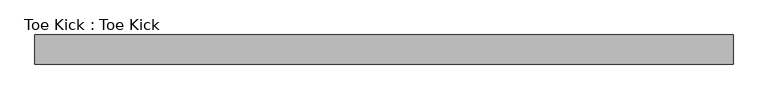
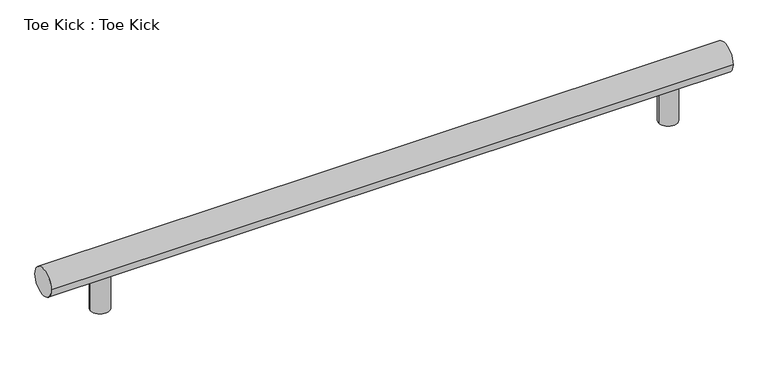
"""IFC4 building model written with IfcOpenShell, lengths in millimetres: proxy geometry, Toe Kick : Toe Kick."""

from ifc_helpers import new_model, si_unit, point, frame, frame_2d, origin, origin_with_axes, place, context, project, spatial, circle_curve, trimmed, segment, composite_curve, outline, extrude, source, transform, mapped, element, save


def toe_kick_toe_kick_487ae540(model_context):
    return source(origin(), model_context, "Body", "SweptSolid", [
        extrude(outline(composite_curve([segment(trimmed(circle_curve(frame_2d((-762.0, -152.4)), 25.4), [point((-787.4, -152.4))], [point((-736.6, -152.4))], False, "CARTESIAN"), True, "CONTINUOUS"), segment(trimmed(circle_curve(frame_2d((-762.0, -152.4)), 25.4), [point((-736.6, -152.4))], [point((-787.4, -152.4))], False, "CARTESIAN"), True, "CONTINUOUS")], self_intersect=False)), origin_with_axes(), (0.0, 0.0, 1.0), 101.6),
        extrude(outline(composite_curve([segment(trimmed(circle_curve(frame_2d((762.0, -152.4)), 25.4), [point((736.6, -152.4))], [point((787.4, -152.4))], False, "CARTESIAN"), True, "CONTINUOUS"), segment(trimmed(circle_curve(frame_2d((762.0, -152.4)), 25.4), [point((787.4, -152.4))], [point((736.6, -152.4))], False, "CARTESIAN"), True, "CONTINUOUS")], self_intersect=False)), origin_with_axes(), (0.0, 0.0, 1.0), 101.6),
        extrude(outline(composite_curve([segment(trimmed(circle_curve(frame_2d((-152.4, 127.0)), 38.1), [point((-190.5, 127.0))], [point((-114.3, 127.0))], False, "CARTESIAN"), True, "CONTINUOUS"), segment(trimmed(circle_curve(frame_2d((-152.4, 127.0)), 38.1), [point((-114.3, 127.0))], [point((-190.5, 127.0))], False, "CARTESIAN"), True, "CONTINUOUS")], self_intersect=False)), frame((-914.4, 0.0, 0.0), z_axis=(1.0, 0.0, 0.0), x_axis=(0.0, 1.0, 0.0)), (0.0, 0.0, 1.0), 1828.8),
    ])


if __name__ == "__main__":
    model = new_model("IFC4")
    model_context = context("Model", 3, world=origin())
    ifc_project = project(units=[si_unit("LENGTHUNIT", "METRE", prefix="MILLI")], contexts=[model_context])
    site = spatial("IfcSite", under=ifc_project)
    building = spatial("IfcBuilding", under=site)
    placement = place(None, origin())
    toe_kick_toe_kick_shape = toe_kick_toe_kick_487ae540(model_context)
    element("IfcBuildingElementProxy", 1, Name="Toe Kick : Toe Kick", ObjectType="Toe Kick : Toe Kick", at=placement, inside=building, context=model_context, shape_type="MappedRepresentation", body=[
        mapped(toe_kick_toe_kick_shape, transform((0.0, 0.0, 0.0), x_axis=(1.0, 0.0, 0.0), y_axis=(0.0, 1.0, 0.0), z_axis=(0.0, 0.0, 1.0))),
    ])
    save(model, "model.ifc")
